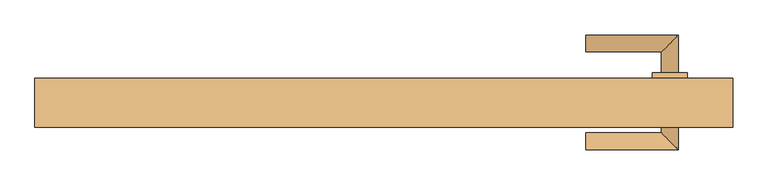
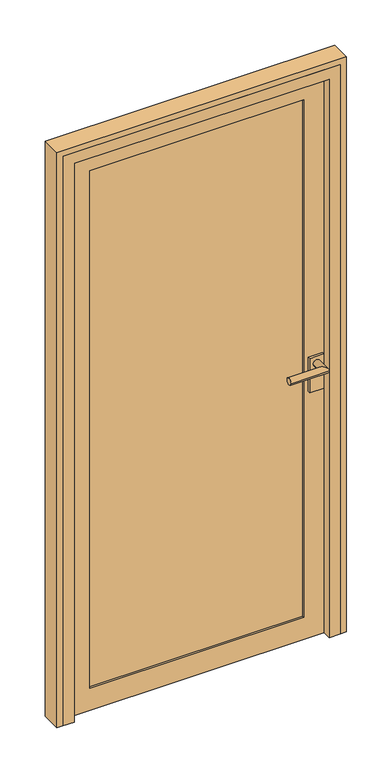
"""IFC4 building model written with IfcOpenShell, lengths in millimetres: door geometry."""

from ifc_helpers import new_model, si_unit, frame, origin, place, context, project, spatial, polyline, circle_curve, ellipse_curve, outline, extrude, faceted_brep, source, transform, mapped, element, save
from ifc_brep_helpers import plane_surface, cylinder_surface, advanced_brep


def door_64fbed0b(model_context):
    return source(origin(), model_context, "Body", "SolidModel", [
        advanced_brep(
        [(290.0, 167.0, 1000.0), (290.0, 143.0, 1000.0), (398.0, 143.0, 1000.0), (422.0, 167.0, 1000.0), (422.0, 3.0, 1000.0), (422.0, 57.0, 1000.0), (398.0, 57.0, 1000.0), (398.0, 27.0, 1000.0), (398.0, 113.0, 1000.0), (422.0, 113.0, 1000.0), (290.0, 3.0, 1000.0), (290.0, 27.0, 1000.0), (435.0, 113.0, 1025.0), (435.0, 113.0, 900.0), (385.0, 113.0, 900.0), (385.0, 113.0, 1025.0), (435.0, 57.0, 1025.0), (385.0, 57.0, 1025.0), (385.0, 57.0, 900.0), (435.0, 57.0, 900.0)],
        [
            (0, 1, circle_curve(frame((290.0, 155.0, 1000.0), z_axis=(-1.0, 0.0, 0.0), x_axis=(0.0, -1.0, 0.0)), 12.0)),
            (1, 0, circle_curve(frame((290.0, 155.0, 1000.0), z_axis=(-1.0, 0.0, 0.0), x_axis=(0.0, -1.0, 0.0)), 12.0)),
            (1, 2),
            (2, 3, ellipse_curve(frame((410.0, 155.0, 1000.0), z_axis=(-0.7071067811865475, 0.7071067811865475, 0.0), x_axis=(-0.7071067811865476, -0.7071067811865474, 0.0)), 16.9705627, 12.0)),
            (3, 0),
            (3, 2, ellipse_curve(frame((410.0, 155.0, 1000.0), z_axis=(-0.7071067811865475, 0.7071067811865475, 0.0), x_axis=(-0.7071067811865476, -0.7071067811865474, 0.0)), 16.9705627, 12.0)),
            (4, 5),
            (5, 6, circle_curve(frame((410.0, 57.0, 1000.0), z_axis=(0.0, -1.0, 0.0), x_axis=(-1.0, 0.0, 0.0)), 12.0)),
            (6, 7),
            (7, 4, ellipse_curve(frame((410.0, 15.0, 1000.0), z_axis=(0.7071067811865475, 0.7071067811865475, 0.0), x_axis=(-0.7071067811865474, 0.7071067811865476, 0.0)), 16.9705627, 12.0)),
            (2, 8),
            (8, 9, circle_curve(frame((410.0, 113.0, 1000.0), z_axis=(0.0, 1.0, 0.0), x_axis=(-1.0, 0.0, 0.0)), 12.0)),
            (9, 3),
            (9, 8, circle_curve(frame((410.0, 113.0, 1000.0), z_axis=(0.0, 1.0, 0.0), x_axis=(-1.0, 0.0, 0.0)), 12.0)),
            (6, 5, circle_curve(frame((410.0, 57.0, 1000.0), z_axis=(0.0, -1.0, 0.0), x_axis=(-1.0, 0.0, 0.0)), 12.0)),
            (4, 7, ellipse_curve(frame((410.0, 15.0, 1000.0), z_axis=(0.7071067811865475, 0.7071067811865475, 0.0), x_axis=(-0.7071067811865474, 0.7071067811865476, 0.0)), 16.9705627, 12.0)),
            (10, 11, circle_curve(frame((290.0, 15.0, 1000.0), z_axis=(-1.0, 0.0, 0.0), x_axis=(0.0, 1.0, 0.0)), 12.0)),
            (11, 10, circle_curve(frame((290.0, 15.0, 1000.0), z_axis=(-1.0, 0.0, 0.0), x_axis=(0.0, 1.0, 0.0)), 12.0)),
            (7, 11),
            (10, 4),
            (12, 13),
            (13, 14),
            (14, 15),
            (15, 12),
            (16, 17),
            (17, 18),
            (18, 19),
            (19, 16),
            (12, 16),
            (19, 13),
            (18, 14),
            (17, 15),
        ],
        [
            plane_surface(frame((290.0, 155.0, 1000.0), z_axis=(-1.0, 0.0, 0.0), x_axis=(0.0, 0.0, 1.0))),
            cylinder_surface(frame((290.0, 155.0, 1000.0), z_axis=(-1.0, 0.0, 0.0), x_axis=(0.0, -1.0, 0.0)), 12.0),
            cylinder_surface(frame((410.0, 155.0, 1000.0), z_axis=(0.0, 1.0, 0.0), x_axis=(-1.0, 0.0, 0.0)), 12.0),
            plane_surface(frame((290.0, 15.0, 1000.0), z_axis=(-1.0, 0.0, 0.0), x_axis=(0.0, 0.0, 1.0))),
            cylinder_surface(frame((410.0, 15.0, 1000.0), z_axis=(1.0, 0.0, 0.0), x_axis=(0.0, 1.0, 0.0)), 12.0),
            plane_surface(frame((435.0, 113.0, 1025.0), z_axis=(0.0, 1.0, 0.0), x_axis=(0.0, 0.0, 1.0))),
            plane_surface(frame((435.0, 57.0, 1025.0), z_axis=(0.0, -1.0, 0.0), x_axis=(0.0, 0.0, -1.0))),
            plane_surface(frame((435.0, 57.0, 1025.0), z_axis=(1.0, 0.0, 0.0), x_axis=(0.0, 1.0, 0.0))),
            plane_surface(frame((435.0, 57.0, 900.0), z_axis=(0.0, 0.0, -1.0), x_axis=(0.0, 1.0, 0.0))),
            plane_surface(frame((385.0, 57.0, 900.0), z_axis=(-1.0, 0.0, 0.0), x_axis=(0.0, 1.0, 0.0))),
            plane_surface(frame((385.0, 57.0, 1025.0), z_axis=(0.0, 0.0, 1.0), x_axis=(0.0, 1.0, 0.0))),
        ],
        [
            (0, [[1, 2]]),
            (1, [[3, 4, 5, -2]]),
            (1, [[-5, 6, -3, -1]]),
            (2, [[7, 8, 9, 10]]),
            (2, [[11, 12, 13, -4]]),
            (2, [[-13, 14, -11, -6]]),
            (2, [[-9, 15, -7, 16]]),
            (3, [[17, 18]]),
            (4, [[19, -17, 20, -10]]),
            (4, [[-20, -18, -19, -16]]),
            (5, [[21, 22, 23, 24], [-14, -12]]),
            (6, [[25, 26, 27, 28], [-15, -8]]),
            (7, [[29, -28, 30, -21]]),
            (8, [[-30, -27, 31, -22]]),
            (9, [[-31, -26, 32, -23]]),
            (10, [[-32, -25, -29, -24]]),
        ],
    ),
        extrude(outline(polyline([(-370.0, 97.0), (370.0, 97.0), (370.0, 73.0), (-370.0, 73.0), (-370.0, 97.0)])), frame((0.0, 0.0, 80.0), z_axis=(0.0, 0.0, 1.0), x_axis=(1.0, 0.0, 0.0)), (0.0, 0.0, 1.0), 1890.0),
        extrude(outline(polyline([(0.0, -450.0), (0.0, 450.0), (2050.0, 450.0), (2050.0, -450.0), (0.0, -450.0)]), holes=[polyline([(80.0, 370.0), (80.0, -370.0), (1970.0, -370.0), (1970.0, 370.0), (80.0, 370.0)])]), frame((0.0, 65.0, 0.0), z_axis=(0.0, 1.0, 0.0), x_axis=(0.0, 0.0, 1.0)), (0.0, 0.0, 1.0), 40.0),
        extrude(outline(polyline([(0.0, 500.0), (2100.0, 500.0), (2100.0, -500.0), (0.0, -500.0), (0.0, -480.0), (2080.0, -480.0), (2080.0, 480.0), (0.0, 480.0), (0.0, 500.0)])), frame((0.0, 35.0, 0.0), z_axis=(0.0, 1.0, 0.0), x_axis=(0.0, 0.0, 1.0)), (0.0, 0.0, 1.0), 70.0),
        faceted_brep([(-480.0, 35.0, 0.0), (-480.0, 105.0, 0.0), (-450.0, 105.0, 0.0), (-450.0, 65.0, 0.0), (-440.0, 65.0, 0.0), (-440.0, 35.0, 0.0), (-480.0, 35.0, 2080.0), (-480.0, 105.0, 2080.0), (480.0, 105.0, 2080.0), (480.0, 105.0, 0.0), (450.0, 105.0, 0.0), (450.0, 105.0, 2050.0), (-450.0, 105.0, 2050.0), (-450.0, 65.0, 2050.0), (450.0, 65.0, 2050.0), (450.0, 65.0, 0.0), (440.0, 65.0, 0.0), (440.0, 65.0, 2040.0), (-440.0, 65.0, 2040.0), (-440.0, 35.0, 2040.0), (440.0, 35.0, 2040.0), (440.0, 35.0, 0.0), (480.0, 35.0, 0.0), (480.0, 35.0, 2080.0)], [[[0, 1, 2, 3, 4, 5]], [[1, 0, 6, 7]], [[2, 1, 7, 8, 9, 10, 11, 12]], [[3, 2, 12, 13]], [[4, 3, 13, 14, 15, 16, 17, 18]], [[5, 4, 18, 19]], [[0, 5, 19, 20, 21, 22, 23, 6]], [[7, 6, 23, 8]], [[13, 12, 11, 14]], [[19, 18, 17, 20]], [[22, 21, 16, 15, 10, 9]], [[8, 23, 22, 9]], [[14, 11, 10, 15]], [[20, 17, 16, 21]]]),
    ])


if __name__ == "__main__":
    model = new_model("IFC4")
    model_context = context("Model", 3, world=origin())
    ifc_project = project(units=[si_unit("LENGTHUNIT", "METRE", prefix="MILLI")], contexts=[model_context])
    site = spatial("IfcSite", under=ifc_project)
    building = spatial("IfcBuilding", under=site)
    placement = place(None, origin())
    door_shape = door_64fbed0b(model_context)
    element("IfcDoor", 1, at=placement, inside=building, context=model_context, shape_type="MappedRepresentation", body=[
        mapped(door_shape, transform((0.0, 0.0, 0.0), x_axis=(1.0, 0.0, 0.0), y_axis=(0.0, 1.0, 0.0), z_axis=(0.0, 0.0, 1.0))),
    ])
    save(model, "model.ifc")
